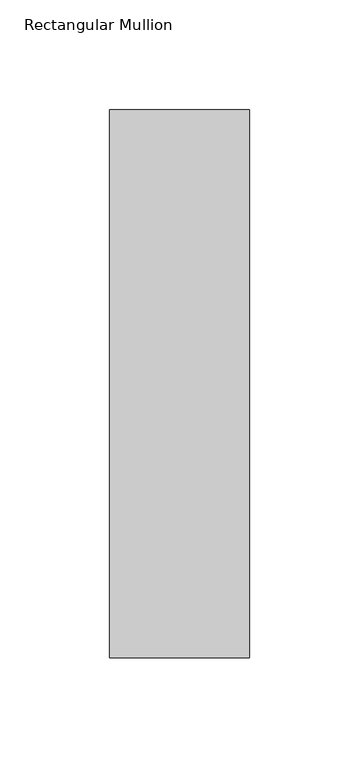
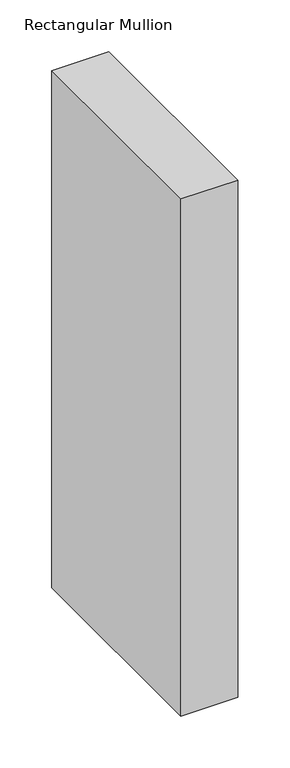
"""IFC4 building model written with IfcOpenShell, lengths in millimetres: member geometry, Rectangular Mullion."""

from ifc_helpers import new_model, si_unit, frame, origin, place, context, project, spatial, polyline, outline, extrude, source, transform, mapped, element, save


def rectangular_mullion_512cab20(model_context):
    return source(origin(), model_context, "Body", "SweptSolid", [
        extrude(outline(polyline([(-63.5, 46.7447302), (-63.5, 295.9695312), (0.0, 295.9695312), (0.0, 46.7447302), (-63.5, 46.7447302)])), frame((0.0, 0.0, -609.6), z_axis=(0.0, 0.0, 1.0), x_axis=(1.0, 0.0, 0.0)), (0.0, 0.0, 1.0), 609.6),
    ])


if __name__ == "__main__":
    model = new_model("IFC4")
    model_context = context("Model", 3, world=origin())
    ifc_project = project(units=[si_unit("LENGTHUNIT", "METRE", prefix="MILLI")], contexts=[model_context])
    site = spatial("IfcSite", under=ifc_project)
    building = spatial("IfcBuilding", under=site)
    placement = place(None, origin())
    rectangular_mullion_shape = rectangular_mullion_512cab20(model_context)
    element("IfcMember", 1, ObjectType="Rectangular Mullion", at=placement, inside=building, context=model_context, shape_type="MappedRepresentation", body=[
        mapped(rectangular_mullion_shape, transform((0.0, 0.0, 0.0), x_axis=(1.0, 0.0, 0.0), y_axis=(0.0, 1.0, 0.0), z_axis=(0.0, 0.0, 1.0))),
    ])
    save(model, "model.ifc")
